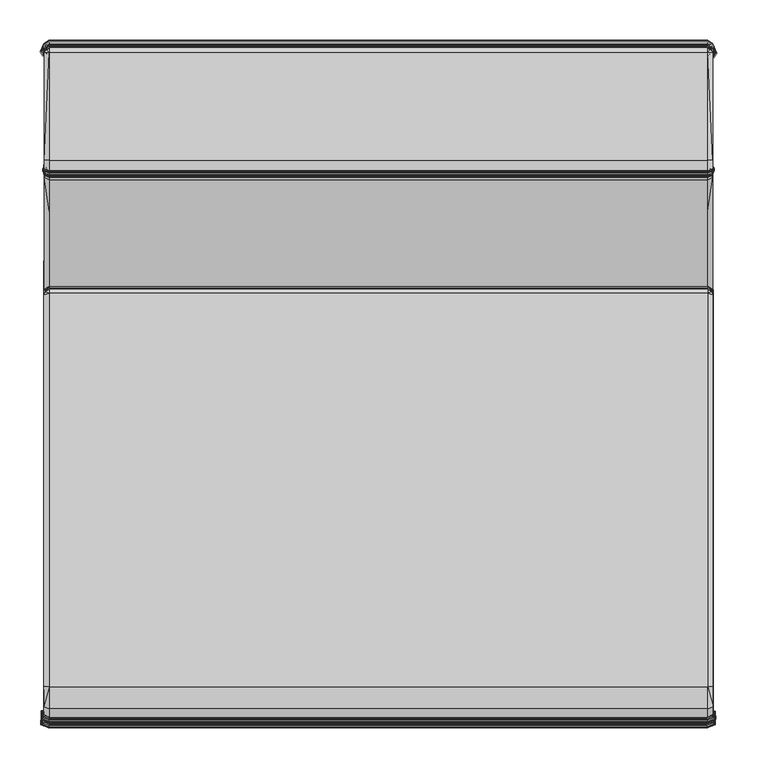
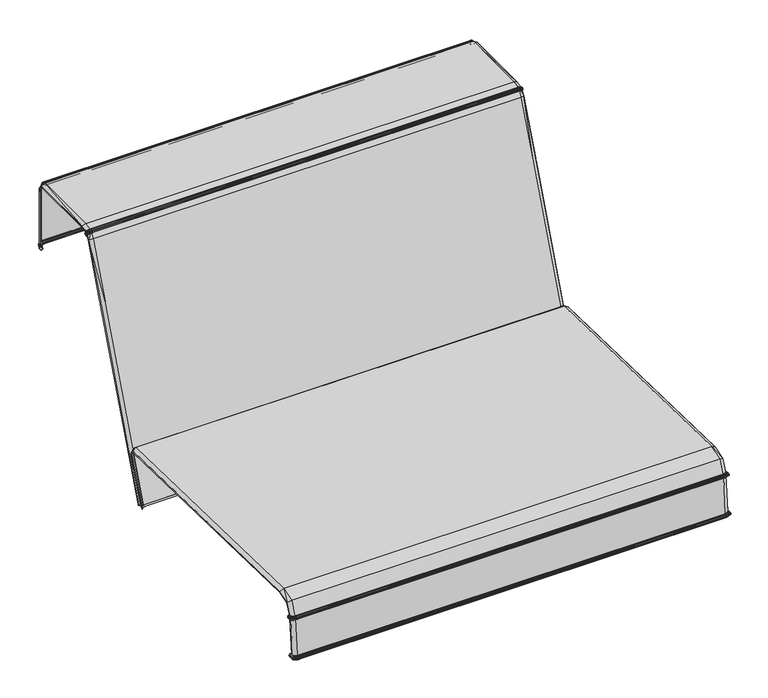
"""IFC4 building model written with IfcOpenShell, lengths in millimetres: furniture geometry."""

from ifc_helpers import new_model, si_unit, origin, place, context, project, spatial, triangles, source, transform, mapped, element, save


def furniture_a1e72176(model_context):
    return source(origin(), model_context, "Body", "Tessellation", [
        triangles([(-415.4723145, 274.4056525, 754.2468395), (-415.7572898, 272.6838826, 756.7365858), (-415.7572898, 274.2688331, 757.8267809), (-415.4721691, 275.9844442, 755.3329651), (415.4724235, 275.9843534, 755.3328924), (415.4722418, 277.5631269, 756.419018), (415.7573988, 275.8536564, 758.9171213), (415.7573988, 274.2687422, 757.8267809), (409.2952932, 273.5551048, 762.254563), (409.2952932, 271.9719711, 761.1655306), (-409.2951479, 273.5551957, 762.2546356), (-409.2951479, 271.9720619, 761.1655306), (-415.7572898, 275.8537472, 758.9171213), (-415.4720964, 277.5632359, 756.4190907), (415.7265141, 430.0160851, 640.3543001), (415.4937884, 426.9861465, 640.3543001), (415.4937884, 426.9862556, 638.3224474), (415.7265141, 430.0161578, 638.3224474), (409.2949299, 433.9952391, 640.3544455), (409.2949299, 433.9953481, 638.3224474), (-409.2946392, 433.9953481, 640.3545181), (-409.2946392, 433.9954571, 638.3224474), (-415.726296, 430.0161215, 640.3544455), (-415.726296, 430.0162305, 638.3224474), (-415.4935704, 426.9862919, 640.3544455), (-415.4935704, 426.9863646, 638.3224474), (-409.2951479, 286.5218824, 765.8612469), (-415.7048584, 287.0393653, 762.0696178), (-409.2951479, 270.3889645, 760.0765709), (-415.7048584, 265.7402475, 747.4176779), (-409.2951479, 262.3842932, 749.2568098), (-409.2946392, 420.787288, 765.8613922), (-409.2946392, 427.2132766, 761.8771151), (-412.3382761, 424.2561896, 761.3591961), (-415.7205914, 420.787288, 761.8771151), (-409.2946392, 430.0110346, 759.0793207), (-409.2946392, 433.9953481, 752.6534048), (-415.7263687, 430.0160851, 752.6533321), (-412.4476808, 427.2145483, 758.3548737), (-409.2946392, 433.9953481, 741.7445503), (-415.726296, 430.0160851, 741.7445503), (-410.8526836, 424.3203572, 758.4158438), (-411.6442414, 423.5752719, 758.3673729), (-412.3867833, 422.7975577, 758.405234), (-408.4321192, 427.0925717, 758.9472794), (-415.5998503, 419.9353778, 758.9419744), (-415.4760206, 287.4449183, 759.085425), (-415.477583, 268.3850897, 745.9740887), (-412.423082, 424.3689008, 756.828586), (-415.5903668, 427.0826523, 751.8316526), (-415.4849227, 229.3469929, 643.6010496), (-415.7176483, 226.6482841, 644.9041677), (-415.718484, 225.2146688, 641.1014929), (-415.4853587, 227.9134322, 639.7983021), (-415.5300508, 102.7851778, 310.9353813), (-415.7774194, 99.942319, 311.8964055), (-415.4935704, 426.9862556, 741.7445503), (-409.2951116, 223.147008, 646.4211536), (-409.2951116, 221.7120302, 642.6189875), (-409.2951116, 222.4295009, 644.5200342), (-415.718048, 225.9314674, 643.0028303), (-415.4851407, 228.6302125, 641.6996395), (-409.2948572, 96.0146971, 312.6427989), (-415.5299417, 102.1473079, 309.2548516), (-413.5147668, 100.2974663, 309.5865901), (-408.6103786, 97.5772017, 309.8733459), (409.2952932, 286.5217916, 765.8611742), (415.7050401, 287.0392745, 762.0695452), (409.2952932, 270.3888737, 760.0764982), (409.2952932, 262.3842024, 749.2567371), (415.7050401, 265.7401204, 747.4176052), (415.7573988, 272.6837736, 756.7365131), (409.2949299, 433.9952027, 752.6533321), (409.2949299, 433.9952027, 741.7444777), (409.2949299, 420.7872517, 765.8613195), (415.7208821, 420.787179, 761.8770424), (412.3386395, 424.2560443, 761.3591234), (409.2949299, 427.2131676, 761.8770424), (409.2949299, 430.0109619, 759.079248), (412.4480078, 427.214403, 758.354801), (415.7267321, 430.0159761, 752.6533321), (415.7267321, 430.0159761, 741.7444777), (412.387074, 422.7974851, 758.405234), (411.6445684, 423.5751992, 758.3673002), (410.8529743, 424.3202119, 758.4158438), (408.4324099, 427.0925354, 758.9472067), (415.600141, 419.9353051, 758.9419018), (415.4762023, 287.4448275, 759.0853523), (415.4777647, 268.3849989, 745.9740887), (415.4725325, 274.4055616, 754.2467669), (412.4234453, 424.3687554, 756.8285133), (415.5906575, 427.0825433, 751.83158), (415.717721, 226.6481751, 644.9040951), (415.4849954, 229.3468476, 643.6009769), (415.7186294, 225.2145598, 641.1014202), (415.777383, 99.9421918, 311.8963692), (415.5301234, 102.7850597, 310.9353086), (415.4854677, 227.9132868, 639.7982294), (415.4938611, 426.9861102, 741.7444777), (409.2952569, 223.1468626, 646.421081), (409.2952569, 221.711903, 642.6189148), (415.7181207, 225.9313402, 643.0027576), (409.2952569, 222.4294101, 644.5199615), (415.485286, 228.6301035, 641.6995668), (409.2948572, 96.01457, 312.6427989), (413.5147305, 100.2973482, 309.5865174), (415.5299417, 102.1471807, 309.254779), (408.6103786, 97.5770745, 309.8732732), (409.2956203, -412.8141918, 316.3027136), (-409.2942032, -412.8140828, 316.3028226), (-409.2942032, -412.9913612, 314.2786002), (409.2956203, -412.9915066, 314.2785275), (416.0349255, -409.086476, 316.2131478), (416.0348528, -409.2638271, 314.1888891), (415.8089581, -406.1575124, 316.1427306), (415.8089581, -406.3353358, 314.1185446), (-409.2939488, 121.3897471, 412.5370648), (-409.2939488, 126.3990253, 408.9976733), (-413.78281, 123.4775285, 408.2595643), (-416.0862668, 119.6087784, 408.8237377), (-409.2939488, 129.8705794, 399.8632018), (-416.0967676, 125.767187, 399.6327653), (-413.8283378, 125.692446, 405.0417375), (-409.2939488, 128.5094888, 405.8438324), (-409.2942759, -406.5121782, 388.2783348), (-416.0354342, -402.8560787, 387.3645824), (-416.0335084, -409.0863307, 316.2132205), (-416.0354705, -367.1893968, 421.0783676), (-409.2942759, -367.685006, 424.8141861), (-416.1255813, -392.3592994, 413.5491034), (-409.2942759, -395.1215944, 416.6427372), (-416.0424468, -401.8806659, 391.2575134), (-409.2942759, -405.5390182, 392.1722105), (409.2956929, -367.6851514, 424.8141498), (409.2956203, 121.3896199, 412.5369922), (409.2956203, 128.5093616, 405.8437234), (409.2956203, 129.8704613, 399.8631291), (409.2956203, 126.398889, 408.9976007), (-409.2939488, 120.0908983, 374.3210835), (-416.0947692, 116.0277288, 374.1926757), (-408.6124861, 125.7456131, 406.228729), (408.6140848, 125.7454769, 406.22862), (-415.8044526, -399.9675559, 386.6443866), (-415.8075411, -406.1574034, 316.1428396), (-415.7803625, 118.4356396, 406.0720161), (-415.8055427, -366.7990499, 418.1254592), (-415.7734952, -390.3913962, 411.3452408), (-415.8018365, -399.0118366, 390.5457473), (-411.7664723, 123.430511, 406.0731062), (-413.220417, 122.3980159, 405.5987529), (-413.6577086, 121.3701716, 406.0520682), (-413.5902346, 122.8004441, 404.0909234), (-415.7784368, 122.7927774, 399.5179104), (-415.8230198, 89.3195571, 312.2665137), (-415.7933704, 111.5993745, 370.3411303), (-416.0945148, 114.5747198, 370.3973042), (-416.089864, 92.2926496, 312.1952245), (-409.2939488, 96.2671618, 312.0993364), (-408.6608843, 93.2433638, 311.0812663), (-413.8440345, 90.4576054, 310.7216226), (-416.0332904, 88.6264399, 310.2829502), (-409.2939488, 118.6377349, 370.5257483), (-415.7914083, 113.0550542, 374.1354481), (-409.2939488, 119.3643166, 372.4234523), (-416.0946239, 115.3012198, 372.2950081), (-415.7923894, 112.3272189, 372.2382892), (409.2955112, 120.0907712, 374.3209745), (409.2955112, 96.2670437, 312.0993001), (408.6625194, 93.2432457, 311.0811936), (409.2955112, 118.6376077, 370.5256757), (409.2955112, 119.3641894, 372.4233433), (416.0878292, 119.6086513, 408.8236287), (413.7844814, 123.4774104, 408.2594916), (413.8300455, 125.6923097, 405.0416285), (416.0984027, 125.767069, 399.6326926), (409.2956929, -406.5122872, 388.2782621), (416.0368876, -402.8561877, 387.3645098), (416.0368876, -367.1895421, 421.0783313), (409.2956929, -395.1217398, 416.6426282), (416.1269983, -392.3594084, 413.5489944), (409.2956929, -405.5391272, 392.1721742), (416.0438639, -401.8807749, 391.2574408), (416.0963679, 116.0276108, 374.1926394), (415.8058697, -399.9676649, 386.6443139), (415.8070324, -366.799159, 418.1253865), (415.7820339, 118.4355125, 406.0719435), (415.7748759, -390.3915416, 411.3451681), (415.8032536, -399.011982, 390.5457109), (411.7681437, 123.4303838, 406.0730335), (413.6593074, 121.3700445, 406.0519956), (413.2220158, 122.3978887, 405.5986802), (413.5918696, 122.800326, 404.0908507), (415.7801082, 122.7926502, 399.5178014), (415.8244732, 89.3194299, 312.2664411), (416.0914264, 92.2925225, 312.1951881), (416.0960773, 114.5745926, 370.3972315), (415.7949328, 111.5992473, 370.3410576), (413.8456332, 90.4574782, 310.7215499), (416.0349255, 88.6263218, 310.2828775), (415.7930071, 113.054927, 374.1354117), (416.0961863, 115.3011017, 372.2949354), (415.7939518, 112.3270917, 372.2382165), (-415.8031446, -399.4896781, 388.5950669), (-416.0389586, -402.3683541, 389.3110479), (-409.2942759, -406.0256164, 390.2252727), (409.2956929, -406.0257254, 390.2252), (416.0403757, -402.3684995, 389.3109389), (415.8046343, -399.4897871, 388.5950306), (-415.8076138, -406.3351905, 314.1186172), (-416.0334357, -409.2637181, 314.1889981), (411.6453678, 418.7624116, 762.446557), (410.9626697, 424.6167418, 762.4884876), (409.8012943, 423.5596842, 761.9933144), (410.5560811, 417.6376256, 761.9470236), (408.9219875, 422.868629, 760.7835772), (409.7587461, 416.8695402, 760.7324902), (408.5602, 422.7287393, 759.1836021), (409.4669034, 416.6639932, 759.1282276), (408.8130916, 423.1774037, 757.6219969), (409.7587461, 417.0759956, 757.5641516), (409.6126431, 424.0945716, 756.5171951), (410.5560811, 417.9951619, 756.4594952), (410.7448414, 425.2343276, 756.1652544), (411.6453678, 419.1752498, 756.1100979), (411.9062167, 426.2913488, 756.6604277), (412.7346182, 420.2999994, 756.6096313), (412.7854872, 426.982404, 757.8701649), (413.5319896, 421.0680848, 757.8241648), (413.147311, 427.1223664, 759.4701399), (413.8237959, 421.2736319, 759.4284273), (412.8944195, 426.6736656, 761.0317451), (413.5319896, 420.8616657, 760.9925034), (412.094868, 425.7564978, 762.1365469), (412.7346182, 419.9424631, 762.0971598), (408.5717182, 427.3998931, 763.0191965), (407.8268146, 425.8591441, 762.4467024), (407.2444736, 424.811134, 761.1805733), (406.9805363, 424.5365868, 759.560178), (407.1058193, 425.1090446, 758.0195744), (407.5868946, 426.3751373, 756.9716732), (408.2945912, 427.9956416, 756.6972713), (409.0395312, 429.5363543, 757.2697655), (409.6218358, 430.5844734, 758.5358946), (409.8858095, 430.8590569, 760.1563625), (409.7604901, 430.2865628, 761.6969662), (409.2794512, 429.02047, 762.7448673), (-408.5699741, 427.4000021, 763.0192692), (-407.8248161, 425.8593985, 762.4467751), (-407.2421482, 424.8114246, 761.1806459), (-406.9781018, 424.5368774, 759.5602507), (-407.1034939, 425.1093352, 758.019647), (-407.5847145, 426.3753917, 756.9717459), (-408.2927382, 427.995787, 756.6972713), (-409.0379325, 429.5363906, 757.2698381), (-409.6206367, 430.5843281, 758.5358946), (-409.8846105, 430.8588753, 760.1563625), (-409.7592184, 430.2864538, 761.6969662), (-409.2779978, 429.020361, 762.7448673), (-410.9608529, 424.6168144, 762.4885603), (-409.7982785, 423.5610649, 761.993605), (-408.9179907, 422.8709544, 760.7840858), (-408.5559125, 422.7313554, 759.1840382), (-408.809022, 423.1797292, 757.6223602), (-409.6095909, 424.095916, 756.5174858), (-410.742952, 425.2344366, 756.1653271), (-411.9055627, 426.2901861, 756.6602823), (-412.7858142, 426.9802966, 757.8698015), (-413.1478924, 427.1198956, 759.4697765), (-412.8947828, 426.6715219, 761.0315271), (-412.0942503, 425.755335, 762.1364016), (-411.6435147, 418.6677589, 760.2865145), (-410.554228, 422.8494804, 761.9471689), (-409.7567476, 416.7749602, 758.5723749), (-409.464905, 416.5693405, 756.9681124), (-409.7567113, 416.9812703, 755.404109), (-410.554119, 417.9004003, 754.2993799), (-411.6433694, 419.0804518, 753.94991), (-412.7326924, 420.2051288, 754.4493708), (-413.5301365, 420.9732141, 755.6640495), (-413.8220518, 421.1788339, 757.2682394), (-413.5302455, 420.7668677, 758.8322428), (-412.7328378, 419.8477378, 759.9370445), (-415.308371, 273.299579, 749.7113605), (-413.4886783, 268.0039357, 757.3568968), (-414.4302632, 267.6220186, 758.6625584), (-416.3889736, 272.9909132, 750.9105606), (-415.1195744, 268.0433773, 760.100552), (-417.1800954, 273.4658661, 752.270652), (-415.3718845, 269.1550827, 761.2855087), (-417.4695763, 274.5971742, 753.4271221), (-415.1197197, 270.6592423, 761.8999334), (-417.1800954, 276.0816585, 754.0701788), (-414.4305176, 272.1528648, 761.7791559), (-416.3889736, 277.5215778, 754.0274488), (-413.4890779, 273.2357021, 760.9556597), (-415.308371, 278.5311637, 753.3104141), (-412.5475293, 273.6176192, 759.6499981), (-414.2277683, 278.8398477, 752.1112141), (-411.8582182, 273.196315, 758.2120045), (-413.4367556, 278.3649312, 750.75105), (-411.6058717, 272.0845914, 757.0271204), (-413.1471657, 277.233623, 749.5946526), (-411.8580365, 270.5803772, 756.412623), (-413.4367556, 275.7491206, 748.9515959), (-412.5472386, 269.0867729, 756.5333279), (-414.2277683, 274.3091649, 748.9943258), (-408.5942822, 266.4505239, 759.6151892), (-409.0083921, 265.9012297, 761.1642225), (-409.311535, 266.2000124, 762.7803303), (-409.4224657, 267.266844, 764.0305447), (-409.311426, 268.8158229, 764.5797844), (-409.0082468, 270.4319306, 764.2809654), (-408.5940279, 271.6821087, 763.2140974), (-408.179918, 272.2314029, 761.6651367), (-407.8767752, 271.9326021, 760.0489563), (-407.7658444, 270.8658068, 758.7987419), (-407.8768842, 269.3168279, 758.2495022), (-408.1800997, 267.700702, 758.5482485), (408.5960627, 266.4503968, 759.6151165), (409.0102452, 265.9011207, 761.1641499), (409.3135697, 266.1999397, 762.7802576), (409.4245005, 267.2667714, 764.0303993), (409.3134244, 268.8157502, 764.5797117), (409.0101726, 270.4318398, 764.2808928), (408.5958447, 271.6820179, 763.2140247), (408.1816257, 272.2313121, 761.6651367), (407.8783739, 271.9324749, 760.0489563), (407.7674068, 270.8656796, 758.7987419), (407.8784466, 269.3167007, 758.2495022), (408.1817348, 267.7005748, 758.5483212), (413.4905313, 268.0038267, 757.3568241), (414.431535, 267.6217279, 758.662849), (415.1204464, 268.0428868, 760.100988), (415.3727566, 269.1545558, 761.2860174), (415.1206644, 270.6587882, 761.9004421), (414.4318256, 272.1525742, 761.7794466), (413.490931, 273.2356112, 760.955587), (412.5498911, 273.6177464, 759.6496347), (411.8609797, 273.1965693, 758.2114231), (411.6086695, 272.0849184, 757.026321), (411.860798, 270.5806498, 756.4120417), (412.5496004, 269.0869001, 756.5329645), (415.4733318, 273.9101704, 750.3640097), (416.5540071, 273.6014683, 751.5632097), (417.3450562, 274.076403, 752.9232285), (417.6345371, 275.2076747, 754.0796986), (417.3450562, 276.6922135, 754.7227552), (416.5540071, 278.1322055, 754.6800253), (415.4733318, 279.1417551, 753.9629906), (414.3926929, 279.450439, 752.7637905), (413.6016801, 278.9754862, 751.4036991), (413.3121265, 277.8442144, 750.2473017), (413.6016801, 276.359712, 749.604245), (414.3926929, 274.9197563, 749.6469023), (415.8040166, -399.3809638, 385.5941236), (415.9228683, -406.5422273, 385.9756047), (414.2511681, -405.3611584, 386.1295561), (414.2206467, -399.393572, 386.0346491), (413.0271512, -404.2950897, 387.0688156), (413.0616331, -399.2042304, 387.1843246), (412.5787774, -403.6296144, 388.5416545), (412.6373131, -398.8636262, 388.7351383), (413.0262428, -403.5431371, 390.153511), (413.0616331, -398.4629966, 390.2715634), (414.249642, -404.0587669, 391.4723986), (414.2206467, -398.1097115, 391.3819608), (415.9211606, -405.0383583, 392.1449956), (415.8040166, -397.8984962, 391.7686741), (417.5928246, -406.2194999, 391.9910442), (417.3873502, -397.8858516, 391.3281487), (418.8168777, -407.2854959, 391.051821), (418.5463637, -398.0752659, 390.1784732), (419.2652152, -407.9509712, 389.5789822), (418.9706838, -398.4158338, 388.6276594), (418.8177498, -408.0375212, 387.9671256), (418.5463637, -398.8164997, 387.0912343), (417.594387, -407.521855, 386.6482018), (417.3873502, -399.1697848, 385.9808733), (408.6505651, -408.925512, 386.5832711), (408.3899343, -407.282371, 386.6208415), (408.2006653, -405.8782416, 387.4748955), (408.1334455, -405.0892273, 388.9166316), (408.2062972, -405.126834, 390.5597363), (408.3995994, -405.980888, 391.9638657), (408.6617927, -407.4226968, 392.75288), (408.9224236, -409.0657288, 392.7153096), (409.1116925, -410.4698945, 391.8612193), (409.1789123, -411.2588725, 390.4194832), (409.1060606, -411.2213021, 388.7764149), (408.9127584, -410.3672845, 387.3722855), (-408.647513, -408.9253667, 386.5833438), (-408.3868458, -407.282262, 386.6209505), (-408.1975405, -405.878169, 387.4749681), (-408.1302844, -405.0891546, 388.9167406), (-408.2031724, -405.126725, 390.5598089), (-408.3965836, -405.980779, 391.9639383), (-408.6587405, -407.4225878, 392.7529527), (-408.9194077, -409.0656198, 392.7153823), (-409.1087131, -410.4697855, 391.8613283), (-409.1759691, -411.2587635, 390.4195559), (-409.1030811, -411.2211931, 388.7765239), (-408.9097063, -410.3671755, 387.3723581), (-415.9198525, -406.5420819, 385.9756774), (-414.2473166, -405.3621758, 386.1298831), (-413.0227183, -404.2969065, 387.0693606), (-412.5741629, -403.6317581, 388.5422722), (-413.0218463, -403.5449538, 390.1540197), (-414.2458268, -404.0597843, 391.4727619), (-415.9181085, -405.0382493, 392.1451046), (-417.5905718, -406.2181555, 391.9908262), (-418.8152063, -407.2833884, 391.0514214), (-419.2637255, -407.9485731, 389.5784735), (-418.8160784, -408.0354137, 387.9667259), (-417.5920979, -407.5205832, 386.6479837), (-415.8008918, -398.8233307, 385.5941963), (-414.2175582, -398.8360116, 386.0347218), (-413.058472, -398.64667, 387.1844336), (-412.6342973, -398.3061021, 388.7352473), (-413.0585083, -397.9054361, 390.2717088), (-414.2175582, -397.5521147, 391.3820334), (-415.8008918, -397.3408267, 391.7687104), (-417.3842254, -397.3281095, 391.3282213), (-418.5432753, -397.5174511, 390.1785095), (-418.9675226, -397.858019, 388.6276958), (-418.5432753, -398.2586849, 387.0912343), (-417.384189, -398.6120064, 385.980946), (418.9126204, 416.7091576, 641.4973989), (413.6577813, 428.959936, 641.4973989), (412.8200418, 427.6092916, 641.0720615), (418.1422823, 415.3209792, 641.0721342), (412.2067071, 426.6204712, 639.9099958), (417.5784722, 414.3047258, 639.9100685), (411.9821932, 426.258502, 638.3225201), (417.3720895, 413.9327282, 638.3225927), (412.2066344, 426.6203259, 636.7349716), (417.5784722, 414.3045442, 636.735117), (412.8198601, 427.609001, 635.5728333), (418.1422823, 415.3206522, 635.5728333), (413.6575996, 428.9596453, 635.1474232), (418.9126204, 416.7087579, 635.1474232), (414.4953392, 430.3102896, 635.5726879), (419.6829223, 418.0968999, 635.5727606), (415.1086739, 431.2990737, 636.7347536), (420.2467323, 419.1131533, 636.7347536), (415.3331878, 431.6610792, 638.3221567), (420.4531151, 419.4851872, 638.3222294), (415.1087829, 431.299219, 639.9097052), (420.2467323, 419.1133713, 639.9097778), (414.4955209, 430.3105803, 641.0719162), (419.6828133, 418.0972269, 641.0719162), (408.122109, 432.7723849, 641.4973989), (407.6280258, 431.1849455, 641.0721342), (407.266311, 430.0228071, 639.9100685), (407.1339789, 429.5973607, 638.3225927), (407.266311, 430.0225891, 636.735117), (407.6279531, 431.1846548, 635.5728333), (408.121891, 432.7720579, 635.1474232), (408.6159379, 434.3594974, 635.5727606), (408.9776527, 435.5216357, 636.7347536), (409.1100211, 435.9470458, 638.3222294), (408.9776527, 435.5217811, 639.9097778), (408.6160469, 434.359788, 641.0719162), (-409.078228, 432.7725303, 641.4973989), (-408.5843991, 431.1849455, 641.0722069), (-408.222866, 430.0227708, 639.9101412), (-408.0905339, 429.5973607, 638.3226654), (-408.222866, 430.0226254, 636.735117), (-408.5842901, 431.1846911, 635.5729059), (-409.078119, 432.7721306, 635.1474232), (-409.5718752, 434.359679, 635.5727606), (-409.933372, 435.5218537, 636.7348263), (-410.0657767, 435.9472638, 638.3223021), (-409.9334447, 435.5219991, 639.9098505), (-409.5719842, 434.3599697, 641.0719889), (-414.6140093, 428.9600086, 641.4973989), (-413.7767421, 427.6090736, 641.0721342), (-413.1637708, 426.6200715, 639.9100685), (-412.9394385, 426.2580297, 638.3225927), (-413.1636981, 426.6199262, 636.7350443), (-413.7765604, 427.6088193, 635.5729059), (-414.6138276, 428.9596816, 635.1474232), (-415.4510948, 430.3106893, 635.5727606), (-416.0640661, 431.2996914, 636.7347536), (-416.2884347, 431.6617696, 638.3222294), (-416.0641751, 431.2998367, 639.9097778), (-415.4512765, 430.3109436, 641.0719889), (-418.9119301, 418.7830862, 641.4973989), (-417.8993829, 417.6854061, 640.8472206), (-417.5778182, 416.3786908, 639.9101412), (-417.3714355, 416.0066568, 638.3226654), (-417.5778182, 416.3784728, 636.735117), (-418.1416646, 417.3945445, 635.5729059), (-418.9119301, 418.7826502, 635.1474232), (-419.6822319, 420.1707922, 635.5727606), (-420.2460783, 421.1870456, 636.7348263), (-420.4524611, 421.5590796, 638.3223021), (-420.2460783, 421.1872636, 639.9098505), (-419.7886571, 420.3420753, 640.8989616), (415.3305717, -403.1796418, 310.9631413), (415.4468436, -412.541316, 310.9100922), (413.7617721, -411.5230642, 311.3761974), (413.7489821, -403.3335205, 311.3827014), (412.5275451, -410.8034497, 312.5678398), (412.591204, -403.4798052, 312.5399709), (412.0747747, -410.575266, 314.1656347), (412.1673926, -403.5793994, 314.1247942), (412.5248199, -410.8996284, 315.7415196), (412.591204, -403.6054879, 315.712488), (413.7571212, -411.6896238, 316.8732093), (413.7489821, -403.5512398, 316.8776785), (415.4414297, -412.7336008, 317.2574518), (415.3305717, -403.43108, 317.3081391), (417.1264649, -413.7518526, 316.7913102), (416.9121612, -403.2772376, 316.8885427), (418.3607283, -414.4714671, 315.5997042), (418.0699393, -403.1309529, 315.7312732), (418.8134986, -414.6996872, 314.0018729), (418.4937507, -403.0313951, 314.1464862), (418.3634171, -414.3752884, 312.4260243), (418.0699393, -403.0052702, 312.5587924), (417.1311522, -413.585293, 311.2943347), (416.9121612, -403.0595547, 311.3936019), (408.1689085, -415.4598879, 310.8904713), (407.8633676, -413.8861467, 311.3640252), (407.6436499, -412.7600163, 312.5610452), (407.5685454, -412.3832588, 314.1607658), (407.6581475, -412.8568128, 315.7345797), (407.888584, -414.0537964, 316.8607464), (408.1979765, -415.6534807, 317.2375039), (408.5034448, -417.2272219, 316.76395), (408.7231988, -418.3532796, 315.56693), (408.7982669, -418.7300371, 313.9672093), (408.7086648, -418.2564832, 312.3933955), (408.4782646, -417.0594995, 311.2672288), (-409.1261175, -415.4597789, 310.8905439), (-408.8558942, -413.8859651, 311.3640979), (-408.6613566, -412.759762, 312.5610815), (-408.5946819, -412.3829318, 314.1608385), (-408.6736742, -412.8565221, 315.7345797), (-408.8772592, -414.053542, 316.8607827), (-409.150789, -415.653299, 317.2376129), (-409.4210486, -417.2271129, 316.7640953), (-409.6155499, -418.3533159, 315.5670753), (-409.6822609, -418.7301461, 313.9673547), (-409.6032323, -418.2565922, 312.3935409), (-409.3996837, -417.0595359, 311.2673741), (-416.3837777, -412.9013595, 310.9102012), (-414.7199621, -411.8189037, 311.3775782), (-413.5061191, -411.0508547, 312.5701289), (-413.0674467, -410.8029774, 314.1682872), (-413.5214888, -411.1417648, 315.7437724), (-414.746632, -411.9763433, 316.8745537), (-416.4145898, -413.0831434, 317.2575245), (-418.0784054, -414.1655628, 316.7901475), (-419.2922848, -414.9336119, 315.5975967), (-419.7309208, -415.1814892, 313.9994385), (-419.2768787, -414.8427381, 312.4239532), (-418.0517355, -414.0081233, 311.293172), (-416.2696132, -403.3723989, 310.9622692), (-414.6879147, -403.4938305, 311.3921122), (-413.5343877, -403.6088671, 312.5570483), (-413.1179887, -403.6868056, 314.1449965), (-413.5503751, -403.7067172, 315.7304738), (-414.7156019, -403.6632606, 316.8886517), (-416.3015516, -403.5681355, 317.3091565), (-417.8832501, -403.4466677, 316.8793862), (-419.0368134, -403.3316311, 315.7144137), (-419.4531398, -403.2536925, 314.1264656), (-419.0207897, -403.233781, 312.5409883), (-417.8555265, -403.2772013, 311.3828104)], [[1, 2, 3], [1, 3, 4], [5, 6, 7], [5, 7, 8], [8, 7, 9], [8, 9, 10], [10, 9, 11], [10, 11, 12], [12, 11, 13], [12, 13, 3], [3, 13, 14], [3, 14, 4], [15, 16, 17], [15, 17, 18], [19, 15, 18], [19, 18, 20], [21, 19, 20], [21, 20, 22], [23, 21, 22], [23, 22, 24], [25, 23, 24], [25, 24, 26], [27, 28, 13], [27, 13, 11], [29, 2, 30], [29, 30, 31], [32, 33, 34], [32, 34, 35], [36, 37, 38], [36, 38, 39], [28, 27, 32], [28, 32, 35], [38, 37, 40], [38, 40, 41], [41, 40, 21], [41, 21, 23], [34, 42, 43], [34, 43, 44], [33, 45, 42], [33, 42, 34], [34, 44, 46], [34, 46, 35], [28, 47, 14], [28, 14, 13], [2, 1, 48], [2, 48, 30], [39, 49, 43], [39, 43, 42], [38, 50, 49], [38, 49, 39], [39, 42, 45], [39, 45, 36], [35, 46, 47], [35, 47, 28], [30, 48, 51], [30, 51, 52], [53, 54, 55], [53, 55, 56], [41, 57, 50], [41, 50, 38], [58, 31, 30], [58, 30, 52], [25, 57, 41], [25, 41, 23], [59, 60, 61], [59, 61, 53], [51, 62, 61], [51, 61, 52], [60, 58, 52], [60, 52, 61], [62, 54, 53], [62, 53, 61], [63, 59, 53], [63, 53, 56], [55, 64, 65], [55, 65, 56], [56, 65, 66], [56, 66, 63], [67, 9, 7], [67, 7, 68], [69, 70, 71], [69, 71, 72], [73, 74, 40], [73, 40, 37], [75, 76, 77], [75, 77, 78], [79, 80, 81], [79, 81, 73], [68, 76, 75], [68, 75, 67], [78, 33, 32], [78, 32, 75], [81, 82, 74], [81, 74, 73], [82, 15, 19], [82, 19, 74], [77, 83, 84], [77, 84, 85], [78, 77, 85], [78, 85, 86], [77, 76, 87], [77, 87, 83], [68, 7, 6], [68, 6, 88], [72, 71, 89], [72, 89, 90], [79, 36, 45], [79, 45, 86], [80, 85, 84], [80, 84, 91], [81, 80, 91], [81, 91, 92], [80, 79, 86], [80, 86, 85], [76, 68, 88], [76, 88, 87], [71, 93, 94], [71, 94, 89], [95, 96, 97], [95, 97, 98], [82, 81, 92], [82, 92, 99], [100, 93, 71], [100, 71, 70], [16, 15, 82], [16, 82, 99], [101, 95, 102], [101, 102, 103], [94, 93, 102], [94, 102, 104], [103, 102, 93], [103, 93, 100], [104, 102, 95], [104, 95, 98], [105, 96, 95], [105, 95, 101], [97, 96, 106], [97, 106, 107], [105, 63, 66], [105, 66, 108], [96, 105, 108], [96, 108, 106], [32, 27, 67], [32, 67, 75], [29, 31, 70], [29, 70, 69], [27, 11, 9], [27, 9, 67], [37, 36, 79], [37, 79, 73], [21, 40, 74], [21, 74, 19], [45, 33, 78], [45, 78, 86], [31, 58, 100], [31, 100, 70], [60, 59, 101], [60, 101, 103], [58, 60, 103], [58, 103, 100], [59, 63, 105], [59, 105, 101], [72, 90, 5], [72, 5, 8], [69, 72, 8], [69, 8, 10], [29, 69, 10], [29, 10, 12], [2, 29, 12], [2, 12, 3], [109, 110, 111], [109, 111, 112], [113, 109, 112], [113, 112, 114], [115, 113, 114], [115, 114, 116], [117, 118, 119], [117, 119, 120], [121, 122, 123], [121, 123, 124], [125, 126, 127], [125, 127, 110], [117, 120, 128], [117, 128, 129], [129, 128, 130], [129, 130, 131], [131, 130, 132], [131, 132, 133], [117, 129, 134], [117, 134, 135], [124, 136, 137], [124, 137, 121], [117, 135, 138], [117, 138, 118], [122, 121, 139], [122, 139, 140], [124, 141, 142], [124, 142, 136], [126, 143, 144], [126, 144, 127], [120, 145, 146], [120, 146, 128], [128, 146, 147], [128, 147, 130], [130, 147, 148], [130, 148, 132], [118, 141, 149], [118, 149, 119], [119, 149, 150], [119, 150, 151], [123, 152, 150], [123, 150, 149], [122, 153, 152], [122, 152, 123], [119, 151, 145], [119, 145, 120], [123, 149, 141], [123, 141, 124], [154, 155, 156], [154, 156, 157], [158, 159, 160], [158, 160, 157], [157, 160, 161], [157, 161, 154], [162, 158, 157], [162, 157, 156], [163, 153, 122], [163, 122, 140], [139, 164, 165], [139, 165, 140], [155, 166, 165], [155, 165, 156], [164, 162, 156], [164, 156, 165], [166, 163, 140], [166, 140, 165], [139, 121, 137], [139, 137, 167], [141, 118, 138], [141, 138, 142], [159, 158, 168], [159, 168, 169], [158, 162, 170], [158, 170, 168], [164, 139, 167], [164, 167, 171], [162, 164, 171], [162, 171, 170], [135, 172, 173], [135, 173, 138], [137, 136, 174], [137, 174, 175], [176, 109, 113], [176, 113, 177], [135, 134, 178], [135, 178, 172], [134, 179, 180], [134, 180, 178], [179, 181, 182], [179, 182, 180], [176, 125, 110], [176, 110, 109], [179, 131, 133], [179, 133, 181], [134, 129, 131], [134, 131, 179], [175, 183, 167], [175, 167, 137], [177, 113, 115], [177, 115, 184], [172, 178, 185], [172, 185, 186], [178, 180, 187], [178, 187, 185], [180, 182, 188], [180, 188, 187], [138, 173, 189], [138, 189, 142], [173, 190, 191], [173, 191, 189], [174, 189, 191], [174, 191, 192], [175, 174, 192], [175, 192, 193], [173, 172, 186], [173, 186, 190], [174, 136, 142], [174, 142, 189], [194, 195, 196], [194, 196, 197], [168, 195, 198], [168, 198, 169], [195, 194, 199], [195, 199, 198], [170, 196, 195], [170, 195, 168], [200, 183, 175], [200, 175, 193], [167, 183, 201], [167, 201, 171], [197, 196, 201], [197, 201, 202], [171, 201, 196], [171, 196, 170], [202, 201, 183], [202, 183, 200], [132, 148, 203], [132, 203, 204], [133, 132, 204], [133, 204, 205], [181, 133, 205], [181, 205, 206], [182, 181, 206], [182, 206, 207], [188, 182, 207], [188, 207, 208], [203, 143, 126], [203, 126, 204], [204, 126, 125], [204, 125, 205], [205, 125, 176], [205, 176, 206], [206, 176, 177], [206, 177, 207], [207, 177, 184], [207, 184, 208], [127, 144, 209], [127, 209, 210], [110, 127, 210], [110, 210, 111], [211, 212, 213], [211, 213, 214], [214, 213, 215], [214, 215, 216], [216, 215, 217], [216, 217, 218], [218, 217, 219], [218, 219, 220], [220, 219, 221], [220, 221, 222], [222, 221, 223], [222, 223, 224], [224, 223, 225], [224, 225, 226], [226, 225, 227], [226, 227, 228], [228, 227, 229], [228, 229, 230], [230, 229, 231], [230, 231, 232], [232, 231, 233], [232, 233, 234], [234, 233, 212], [234, 212, 211], [212, 235, 236], [212, 236, 213], [213, 236, 237], [213, 237, 215], [215, 237, 238], [215, 238, 217], [217, 238, 239], [217, 239, 219], [219, 239, 240], [219, 240, 221], [221, 240, 241], [221, 241, 223], [223, 241, 242], [223, 242, 225], [225, 242, 243], [225, 243, 227], [227, 243, 244], [227, 244, 229], [229, 244, 245], [229, 245, 231], [231, 245, 246], [231, 246, 233], [233, 246, 235], [233, 235, 212], [235, 247, 248], [235, 248, 236], [236, 248, 249], [236, 249, 237], [237, 249, 250], [237, 250, 238], [238, 250, 251], [238, 251, 239], [239, 251, 252], [239, 252, 240], [240, 252, 253], [240, 253, 241], [241, 253, 254], [241, 254, 242], [242, 254, 255], [242, 255, 243], [243, 255, 256], [243, 256, 244], [244, 256, 257], [244, 257, 245], [245, 257, 258], [245, 258, 246], [246, 258, 247], [246, 247, 235], [247, 259, 260], [247, 260, 248], [248, 260, 261], [248, 261, 249], [249, 261, 262], [249, 262, 250], [250, 262, 263], [250, 263, 251], [251, 263, 264], [251, 264, 252], [252, 264, 265], [252, 265, 253], [253, 265, 266], [253, 266, 254], [254, 266, 267], [254, 267, 255], [255, 267, 268], [255, 268, 256], [256, 268, 269], [256, 269, 257], [257, 269, 270], [257, 270, 258], [258, 270, 259], [258, 259, 247], [259, 271, 272], [259, 272, 260], [260, 272, 273], [260, 273, 261], [261, 273, 274], [261, 274, 262], [262, 274, 275], [262, 275, 263], [263, 275, 276], [263, 276, 264], [264, 276, 277], [264, 277, 265], [265, 277, 278], [265, 278, 266], [266, 278, 279], [266, 279, 267], [267, 279, 280], [267, 280, 268], [268, 280, 281], [268, 281, 269], [269, 281, 282], [269, 282, 270], [270, 282, 271], [270, 271, 259], [214, 216, 218], [214, 218, 220], [214, 220, 222], [214, 222, 224], [214, 224, 226], [214, 226, 228], [214, 228, 230], [214, 230, 232], [214, 232, 234], [214, 234, 211], [273, 272, 271], [274, 273, 271], [274, 271, 281], [274, 281, 280], [274, 280, 279], [274, 279, 278], [274, 278, 277], [274, 277, 276], [274, 276, 275], [282, 281, 271], [283, 284, 285], [283, 285, 286], [286, 285, 287], [286, 287, 288], [288, 287, 289], [288, 289, 290], [290, 289, 291], [290, 291, 292], [292, 291, 293], [292, 293, 294], [294, 293, 295], [294, 295, 296], [296, 295, 297], [296, 297, 298], [298, 297, 299], [298, 299, 300], [300, 299, 301], [300, 301, 302], [302, 301, 303], [302, 303, 304], [304, 303, 305], [304, 305, 306], [306, 305, 284], [306, 284, 283], [284, 307, 308], [284, 308, 285], [285, 308, 309], [285, 309, 287], [287, 309, 310], [287, 310, 289], [289, 310, 311], [289, 311, 291], [291, 311, 312], [291, 312, 293], [293, 312, 313], [293, 313, 295], [295, 313, 314], [295, 314, 297], [297, 314, 315], [297, 315, 299], [299, 315, 316], [299, 316, 301], [301, 316, 317], [301, 317, 303], [303, 317, 318], [303, 318, 305], [305, 318, 307], [305, 307, 284], [307, 319, 320], [307, 320, 308], [308, 320, 321], [308, 321, 309], [309, 321, 322], [309, 322, 310], [310, 322, 323], [310, 323, 311], [311, 323, 324], [311, 324, 312], [312, 324, 325], [312, 325, 313], [313, 325, 326], [313, 326, 314], [314, 326, 327], [314, 327, 315], [315, 327, 328], [315, 328, 316], [316, 328, 329], [316, 329, 317], [317, 329, 330], [317, 330, 318], [318, 330, 319], [318, 319, 307], [319, 331, 332], [319, 332, 320], [320, 332, 333], [320, 333, 321], [321, 333, 334], [321, 334, 322], [322, 334, 335], [322, 335, 323], [323, 335, 336], [323, 336, 324], [324, 336, 337], [324, 337, 325], [325, 337, 338], [325, 338, 326], [326, 338, 339], [326, 339, 327], [327, 339, 340], [327, 340, 328], [328, 340, 341], [328, 341, 329], [329, 341, 342], [329, 342, 330], [330, 342, 331], [330, 331, 319], [331, 343, 344], [331, 344, 332], [332, 344, 345], [332, 345, 333], [333, 345, 346], [333, 346, 334], [334, 346, 347], [334, 347, 335], [335, 347, 348], [335, 348, 336], [336, 348, 349], [336, 349, 337], [337, 349, 350], [337, 350, 338], [338, 350, 351], [338, 351, 339], [339, 351, 352], [339, 352, 340], [340, 352, 353], [340, 353, 341], [341, 353, 354], [341, 354, 342], [342, 354, 343], [342, 343, 331], [286, 288, 290], [286, 290, 292], [286, 292, 294], [286, 294, 296], [286, 296, 298], [286, 298, 300], [286, 300, 302], [286, 302, 304], [286, 304, 306], [286, 306, 283], [345, 344, 343], [346, 345, 343], [346, 343, 353], [346, 353, 352], [346, 352, 351], [346, 351, 350], [346, 350, 349], [346, 349, 348], [346, 348, 347], [354, 353, 343], [355, 356, 357], [355, 357, 358], [358, 357, 359], [358, 359, 360], [360, 359, 361], [360, 361, 362], [362, 361, 363], [362, 363, 364], [364, 363, 365], [364, 365, 366], [366, 365, 367], [366, 367, 368], [368, 367, 369], [368, 369, 370], [370, 369, 371], [370, 371, 372], [372, 371, 373], [372, 373, 374], [374, 373, 375], [374, 375, 376], [376, 375, 377], [376, 377, 378], [378, 377, 356], [378, 356, 355], [356, 379, 380], [356, 380, 357], [357, 380, 381], [357, 381, 359], [359, 381, 382], [359, 382, 361], [361, 382, 383], [361, 383, 363], [363, 383, 384], [363, 384, 365], [365, 384, 385], [365, 385, 367], [367, 385, 386], [367, 386, 369], [369, 386, 387], [369, 387, 371], [371, 387, 388], [371, 388, 373], [373, 388, 389], [373, 389, 375], [375, 389, 390], [375, 390, 377], [377, 390, 379], [377, 379, 356], [379, 391, 392], [379, 392, 380], [380, 392, 393], [380, 393, 381], [381, 393, 394], [381, 394, 382], [382, 394, 395], [382, 395, 383], [383, 395, 396], [383, 396, 384], [384, 396, 397], [384, 397, 385], [385, 397, 398], [385, 398, 386], [386, 398, 399], [386, 399, 387], [387, 399, 400], [387, 400, 388], [388, 400, 401], [388, 401, 389], [389, 401, 402], [389, 402, 390], [390, 402, 391], [390, 391, 379], [391, 403, 404], [391, 404, 392], [392, 404, 405], [392, 405, 393], [393, 405, 406], [393, 406, 394], [394, 406, 407], [394, 407, 395], [395, 407, 408], [395, 408, 396], [396, 408, 409], [396, 409, 397], [397, 409, 410], [397, 410, 398], [398, 410, 411], [398, 411, 399], [399, 411, 412], [399, 412, 400], [400, 412, 413], [400, 413, 401], [401, 413, 414], [401, 414, 402], [402, 414, 403], [402, 403, 391], [403, 415, 416], [403, 416, 404], [404, 416, 417], [404, 417, 405], [405, 417, 418], [405, 418, 406], [406, 418, 419], [406, 419, 407], [407, 419, 420], [407, 420, 408], [408, 420, 421], [408, 421, 409], [409, 421, 422], [409, 422, 410], [410, 422, 423], [410, 423, 411], [411, 423, 424], [411, 424, 412], [412, 424, 425], [412, 425, 413], [413, 425, 426], [413, 426, 414], [414, 426, 415], [414, 415, 403], [358, 360, 362], [358, 362, 364], [358, 364, 366], [358, 366, 368], [358, 368, 370], [358, 370, 372], [358, 372, 374], [358, 374, 376], [358, 376, 378], [358, 378, 355], [417, 416, 415], [418, 417, 415], [418, 415, 425], [418, 425, 424], [418, 424, 423], [418, 423, 422], [418, 422, 421], [418, 421, 420], [418, 420, 419], [426, 425, 415], [427, 428, 429], [427, 429, 430], [430, 429, 431], [430, 431, 432], [432, 431, 433], [432, 433, 434], [434, 433, 435], [434, 435, 436], [436, 435, 437], [436, 437, 438], [438, 437, 439], [438, 439, 440], [440, 439, 441], [440, 441, 442], [442, 441, 443], [442, 443, 444], [444, 443, 445], [444, 445, 446], [446, 445, 447], [446, 447, 448], [448, 447, 449], [448, 449, 450], [450, 449, 428], [450, 428, 427], [428, 451, 452], [428, 452, 429], [429, 452, 453], [429, 453, 431], [431, 453, 454], [431, 454, 433], [433, 454, 455], [433, 455, 435], [435, 455, 456], [435, 456, 437], [437, 456, 457], [437, 457, 439], [439, 457, 458], [439, 458, 441], [441, 458, 459], [441, 459, 443], [443, 459, 460], [443, 460, 445], [445, 460, 461], [445, 461, 447], [447, 461, 462], [447, 462, 449], [449, 462, 451], [449, 451, 428], [451, 463, 464], [451, 464, 452], [452, 464, 465], [452, 465, 453], [453, 465, 466], [453, 466, 454], [454, 466, 467], [454, 467, 455], [455, 467, 468], [455, 468, 456], [456, 468, 469], [456, 469, 457], [457, 469, 470], [457, 470, 458], [458, 470, 471], [458, 471, 459], [459, 471, 472], [459, 472, 460], [460, 472, 473], [460, 473, 461], [461, 473, 474], [461, 474, 462], [462, 474, 463], [462, 463, 451], [463, 475, 476], [463, 476, 464], [464, 476, 477], [464, 477, 465], [465, 477, 478], [465, 478, 466], [466, 478, 479], [466, 479, 467], [467, 479, 480], [467, 480, 468], [468, 480, 481], [468, 481, 469], [469, 481, 482], [469, 482, 470], [470, 482, 483], [470, 483, 471], [471, 483, 484], [471, 484, 472], [472, 484, 485], [472, 485, 473], [473, 485, 486], [473, 486, 474], [474, 486, 475], [474, 475, 463], [475, 487, 488], [475, 488, 476], [476, 488, 489], [476, 489, 477], [477, 489, 490], [477, 490, 478], [478, 490, 491], [478, 491, 479], [479, 491, 492], [479, 492, 480], [480, 492, 493], [480, 493, 481], [481, 493, 494], [481, 494, 482], [482, 494, 495], [482, 495, 483], [483, 495, 496], [483, 496, 484], [484, 496, 497], [484, 497, 485], [485, 497, 498], [485, 498, 486], [486, 498, 487], [486, 487, 475], [430, 432, 434], [430, 434, 436], [430, 436, 438], [430, 438, 440], [430, 440, 442], [430, 442, 444], [430, 444, 446], [430, 446, 448], [430, 448, 450], [430, 450, 427], [489, 488, 487], [490, 489, 487], [490, 487, 497], [490, 497, 496], [490, 496, 495], [490, 495, 494], [490, 494, 493], [490, 493, 492], [490, 492, 491], [498, 497, 487], [499, 500, 501], [499, 501, 502], [502, 501, 503], [502, 503, 504], [504, 503, 505], [504, 505, 506], [506, 505, 507], [506, 507, 508], [508, 507, 509], [508, 509, 510], [510, 509, 511], [510, 511, 512], [512, 511, 513], [512, 513, 514], [514, 513, 515], [514, 515, 516], [516, 515, 517], [516, 517, 518], [518, 517, 519], [518, 519, 520], [520, 519, 521], [520, 521, 522], [522, 521, 500], [522, 500, 499], [500, 523, 524], [500, 524, 501], [501, 524, 525], [501, 525, 503], [503, 525, 526], [503, 526, 505], [505, 526, 527], [505, 527, 507], [507, 527, 528], [507, 528, 509], [509, 528, 529], [509, 529, 511], [511, 529, 530], [511, 530, 513], [513, 530, 531], [513, 531, 515], [515, 531, 532], [515, 532, 517], [517, 532, 533], [517, 533, 519], [519, 533, 534], [519, 534, 521], [521, 534, 523], [521, 523, 500], [523, 535, 536], [523, 536, 524], [524, 536, 537], [524, 537, 525], [525, 537, 538], [525, 538, 526], [526, 538, 539], [526, 539, 527], [527, 539, 540], [527, 540, 528], [528, 540, 541], [528, 541, 529], [529, 541, 542], [529, 542, 530], [530, 542, 543], [530, 543, 531], [531, 543, 544], [531, 544, 532], [532, 544, 545], [532, 545, 533], [533, 545, 546], [533, 546, 534], [534, 546, 535], [534, 535, 523], [535, 547, 548], [535, 548, 536], [536, 548, 549], [536, 549, 537], [537, 549, 550], [537, 550, 538], [538, 550, 551], [538, 551, 539], [539, 551, 552], [539, 552, 540], [540, 552, 553], [540, 553, 541], [541, 553, 554], [541, 554, 542], [542, 554, 555], [542, 555, 543], [543, 555, 556], [543, 556, 544], [544, 556, 557], [544, 557, 545], [545, 557, 558], [545, 558, 546], [546, 558, 547], [546, 547, 535], [547, 559, 560], [547, 560, 548], [548, 560, 561], [548, 561, 549], [549, 561, 562], [549, 562, 550], [550, 562, 563], [550, 563, 551], [551, 563, 564], [551, 564, 552], [552, 564, 565], [552, 565, 553], [553, 565, 566], [553, 566, 554], [554, 566, 567], [554, 567, 555], [555, 567, 568], [555, 568, 556], [556, 568, 569], [556, 569, 557], [557, 569, 570], [557, 570, 558], [558, 570, 559], [558, 559, 547], [502, 504, 506], [502, 506, 508], [502, 508, 510], [502, 510, 512], [502, 512, 514], [502, 514, 516], [502, 516, 518], [502, 518, 520], [502, 520, 522], [502, 522, 499], [561, 560, 559], [562, 561, 559], [562, 559, 569], [562, 569, 568], [562, 568, 567], [562, 567, 566], [562, 566, 565], [562, 565, 564], [562, 564, 563], [570, 569, 559]], closed=False),
    ])


if __name__ == "__main__":
    model = new_model("IFC4")
    model_context = context("Model", 3, world=origin())
    ifc_project = project(units=[si_unit("LENGTHUNIT", "METRE", prefix="MILLI")], contexts=[model_context])
    site = spatial("IfcSite", under=ifc_project)
    building = spatial("IfcBuilding", under=site)
    placement = place(None, origin())
    furniture_shape = furniture_a1e72176(model_context)
    element("IfcFurniture", 1, at=placement, inside=building, context=model_context, shape_type="MappedRepresentation", body=[
        mapped(furniture_shape, transform((0.0, 0.0, 0.0), x_axis=(1.0, 0.0, 0.0), y_axis=(0.0, 1.0, 0.0), z_axis=(0.0, 0.0, 1.0))),
    ])
    save(model, "model.ifc")
